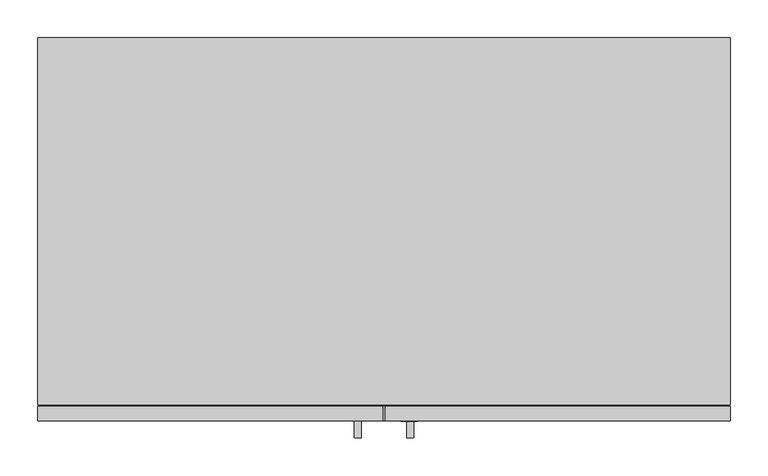
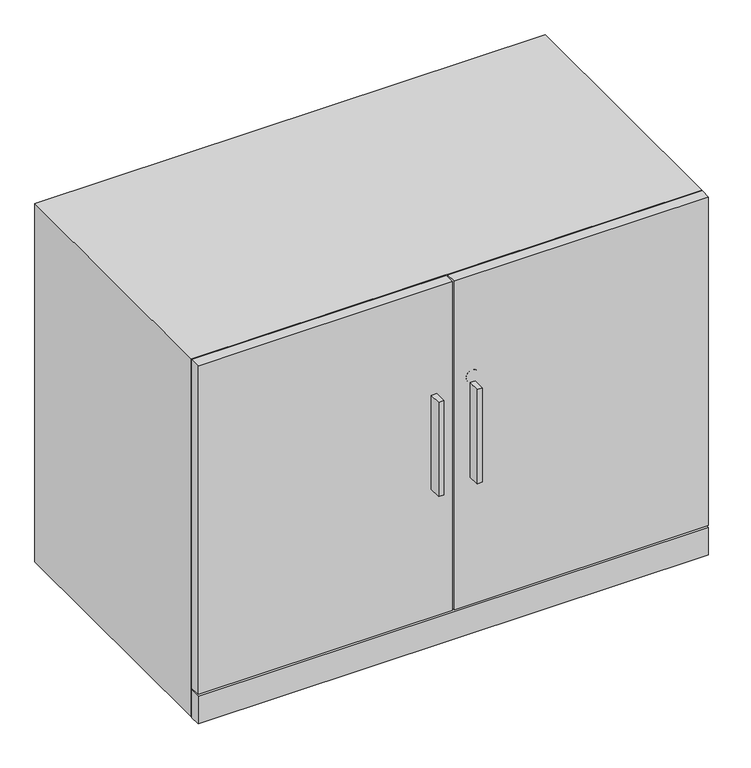
"""IFC4 building model written with IfcOpenShell, lengths in millimetres: furniture geometry."""

from ifc_helpers import new_model, si_unit, point, frame, frame_2d, origin, origin_with_axes, place, context, project, spatial, polyline, circle_curve, trimmed, segment, composite_curve, outline, extrude, faceted_brep, source, transform, mapped, element, save


def furniture_850e605f(model_context):
    return source(origin(), model_context, "Body", "SolidModel", [
        extrude(outline(polyline([(417.957, -527.05), (417.957, -504.825), (427.482, -504.825), (427.482, -527.05), (417.957, -527.05)])), frame((0.0, 0.0, 299.9943261), z_axis=(0.0, 0.0, 1.0), x_axis=(1.0, 0.0, 0.0)), (0.0, 0.0, 1.0), 177.8),
        extrude(outline(polyline([(496.443, -527.05), (486.918, -527.05), (486.918, -504.825), (496.443, -504.825), (496.443, -527.05)])), frame((0.0, 0.0, 299.9943261), z_axis=(0.0, 0.0, 1.0), x_axis=(1.0, 0.0, 0.0)), (0.0, 0.0, 1.0), 177.8),
        extrude(outline(polyline([(1.5875, -485.521), (455.6125, -485.521), (455.6125, -504.825), (1.5875, -504.825), (1.5875, -485.521)])), frame((0.0, 0.0, 58.61812), z_axis=(0.0, 0.0, 1.0), x_axis=(1.0, 0.0, 0.0)), (0.0, 0.0, 1.0), 620.6998),
        extrude(outline(polyline([(458.7875, -485.521), (912.8125, -485.521), (912.8125, -504.825), (458.7875, -504.825), (458.7875, -485.521)])), frame((0.0, 0.0, 58.61812), z_axis=(0.0, 0.0, 1.0), x_axis=(1.0, 0.0, 0.0)), (0.0, 0.0, 1.0), 620.6998),
        extrude(outline(composite_curve([segment(trimmed(circle_curve(frame_2d((489.70692, 490.6645)), 11.176), [point((489.70692, 501.8405))], [point((489.70692, 479.4885))], False, "CARTESIAN"), True, "CONTINUOUS"), segment(trimmed(circle_curve(frame_2d((489.70692, 490.6645)), 11.176), [point((489.70692, 479.4885))], [point((489.70692, 501.8405))], False, "CARTESIAN"), True, "CONTINUOUS")], self_intersect=False)), frame((0.0, -505.079, 0.0), z_axis=(0.0, 1.0, 0.0), x_axis=(0.0, 0.0, 1.0)), (0.0, 0.0, 1.0), 4.69392),
        extrude(outline(polyline([(912.8125, -485.521), (912.8125, -504.825), (1.5875, -504.825), (1.5875, -485.521), (912.8125, -485.521)])), frame((0.0, 0.0, 3.175), z_axis=(0.0, 0.0, 1.0), x_axis=(1.0, 0.0, 0.0)), (0.0, 0.0, 1.0), 52.26812),
        extrude(outline(polyline([(46.1772, -26.1874), (61.8363, -35.2281856), (61.8363, -53.3097568), (46.1772, -62.3505424), (30.5181, -53.3097568), (30.5181, -35.2281856), (46.1772, -26.1874)])), origin_with_axes(), (0.0, 0.0, 1.0), 8.4328),
        extrude(outline(polyline([(46.1772, -478.6376), (30.5181, -469.5968144), (30.5181, -451.5152432), (46.1772, -442.4744576), (61.8363, -451.5152432), (61.8363, -469.5968144), (46.1772, -478.6376)])), origin_with_axes(), (0.0, 0.0, 1.0), 8.4328),
        extrude(outline(polyline([(868.2228, -26.1874), (883.8819, -35.2281856), (883.8819, -53.3097568), (868.2228, -62.3505424), (852.5637, -53.3097568), (852.5637, -35.2281856), (868.2228, -26.1874)])), origin_with_axes(), (0.0, 0.0, 1.0), 8.4328),
        extrude(outline(polyline([(868.2228, -478.6376), (852.5637, -469.5968144), (852.5637, -451.5152432), (868.2228, -442.4744576), (883.8819, -451.5152432), (883.8819, -469.5968144), (868.2228, -478.6376)])), origin_with_axes(), (0.0, 0.0, 1.0), 8.4328),
        faceted_brep([(912.8125, -483.2858, 679.31792), (1.5875, -483.2858, 679.31792), (1.5875, -483.2858, 3.175), (912.8125, -483.2858, 3.175), (20.8915, -483.2858, 660.01392), (893.5085, -483.2858, 660.01392), (893.5085, -483.2858, 55.44312), (20.8915, -483.2858, 55.44312), (912.8125, 0.0, 679.31792), (912.8125, 0.0, 3.175), (1.5875, 0.0, 3.175), (1.5875, 0.0, 679.31792), (893.5085, -19.304, 660.01392), (20.8915, -19.304, 660.01392), (20.8915, -19.304, 55.44312), (893.5085, -19.304, 55.44312)], [[[0, 1, 2, 3], [4, 5, 6, 7]], [[8, 9, 10, 11]], [[1, 0, 8, 11]], [[2, 1, 11, 10]], [[0, 3, 9, 8]], [[12, 13, 14, 15]], [[13, 12, 5, 4]], [[14, 13, 4, 7]], [[15, 14, 7, 6]], [[12, 15, 6, 5]], [[3, 2, 10, 9]]]),
    ])


if __name__ == "__main__":
    model = new_model("IFC4")
    model_context = context("Model", 3, world=origin())
    ifc_project = project(units=[si_unit("LENGTHUNIT", "METRE", prefix="MILLI")], contexts=[model_context])
    site = spatial("IfcSite", under=ifc_project)
    building = spatial("IfcBuilding", under=site)
    placement = place(None, origin())
    furniture_shape = furniture_850e605f(model_context)
    element("IfcFurniture", 1, at=placement, inside=building, context=model_context, shape_type="MappedRepresentation", body=[
        mapped(furniture_shape, transform((0.0, 0.0, 0.0), x_axis=(1.0, 0.0, 0.0), y_axis=(0.0, 1.0, 0.0), z_axis=(0.0, 0.0, 1.0))),
    ])
    save(model, "model.ifc")
